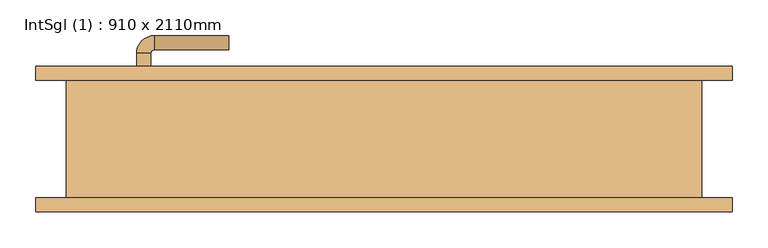
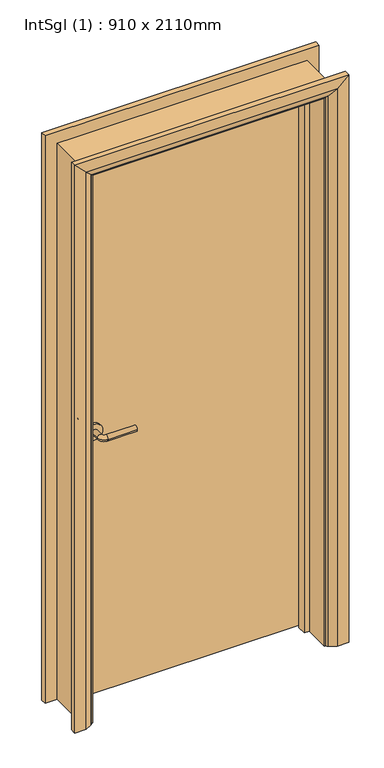
"""IFC4 building model written with IfcOpenShell, lengths in millimetres: door geometry, IntSgl (1) : 910 x 2110mm."""

from ifc_helpers import new_model, si_unit, point, frame, frame_2d, origin, place, context, project, spatial, polyline, circle_curve, ellipse_curve, trimmed, segment, composite_curve, outline, extrude, faceted_brep, source, transform, mapped, element, save
from ifc_brep_helpers import plane_surface, cylinder_surface, revolved_surface, advanced_brep


def intsgl_1_910_x_2110mm_8f79d807(model_context):
    return source(origin(), model_context, "Body", "SolidModel", [
        advanced_brep(
        [(-348.0, 36.5, 1000.0), (-328.0, 36.5, 1000.0), (-328.0, 6.5, 1000.0), (-348.0, 6.5, 1000.0), (-323.0, 1.5, 1000.0), (-323.0, -18.5, 1000.0), (-218.0, -18.5, 1000.0), (-218.0, 1.5, 1000.0)],
        [
            (0, 1, circle_curve(frame((-338.0, 36.5, 1000.0), z_axis=(0.0, 1.0, 0.0), x_axis=(1.0, 0.0, 0.0)), 10.0)),
            (1, 0, circle_curve(frame((-338.0, 36.5, 1000.0), z_axis=(0.0, 1.0, 0.0), x_axis=(1.0, 0.0, 0.0)), 10.0)),
            (1, 2),
            (2, 3, circle_curve(frame((-338.0, 6.5, 1000.0), z_axis=(0.0, 1.0, 0.0), x_axis=(1.0, 0.0, 0.0)), 10.0)),
            (3, 0),
            (3, 2, circle_curve(frame((-338.0, 6.5, 1000.0), z_axis=(0.0, 1.0, 0.0), x_axis=(1.0, 0.0, 0.0)), 10.0)),
            (4, 5, circle_curve(frame((-323.0, -8.5, 1000.0), z_axis=(-1.0, 0.0, 0.0), x_axis=(0.0, 1.0, 0.0)), 10.0)),
            (5, 3, circle_curve(frame((-323.0, 6.5, 1000.0), z_axis=(0.0, 0.0, -1.0), x_axis=(-1.0, 0.0, 0.0)), 25.0)),
            (2, 4, circle_curve(frame((-323.0, 6.5, 1000.0), z_axis=(0.0, 0.0, 1.0), x_axis=(-1.0, 0.0, 0.0)), 5.0)),
            (5, 4, circle_curve(frame((-323.0, -8.5, 1000.0), z_axis=(-1.0, 0.0, 0.0), x_axis=(0.0, 1.0, 0.0)), 10.0)),
            (6, 7, circle_curve(frame((-218.0, -8.5, 1000.0), z_axis=(1.0, 0.0, 0.0), x_axis=(0.0, 1.0, 0.0)), 10.0)),
            (7, 6, circle_curve(frame((-218.0, -8.5, 1000.0), z_axis=(1.0, 0.0, 0.0), x_axis=(0.0, 1.0, 0.0)), 10.0)),
            (4, 7),
            (6, 5),
        ],
        [
            plane_surface(frame((-338.0, 36.5, 1000.0), z_axis=(0.0, 1.0, 0.0), x_axis=(0.0, 0.0, 1.0))),
            cylinder_surface(frame((-338.0, 36.5, 1000.0), z_axis=(0.0, 1.0, 0.0), x_axis=(1.0, 0.0, 0.0)), 10.0),
            revolved_surface(trimmed(ellipse_curve(frame((-338.0, 6.5, 1000.0), z_axis=(0.0, -1.0, 0.0), x_axis=(1.0, 0.0, 0.0)), 10.0, 10.0), [point((-348.0, 6.5, 1000.0))], [point((-328.0, 6.5, 1000.0))], True, "CARTESIAN"), (-323.0, 6.5, 1000.0), (0.0, 0.0, -1.0)),
            revolved_surface(trimmed(ellipse_curve(frame((-338.0, 6.5, 1000.0), z_axis=(0.0, -1.0, 0.0), x_axis=(1.0, 0.0, 0.0)), 10.0, 10.0), [point((-328.0, 6.5, 1000.0))], [point((-348.0, 6.5, 1000.0))], True, "CARTESIAN"), (-323.0, 6.5, 1000.0), (0.0, 0.0, -1.0)),
            plane_surface(frame((-218.0, -8.5, 1000.0), z_axis=(1.0, 0.0, 0.0), x_axis=(0.0, 0.0, 1.0))),
            cylinder_surface(frame((-323.0, -8.5, 1000.0), z_axis=(-1.0, 0.0, 0.0), x_axis=(0.0, 1.0, 0.0)), 10.0),
        ],
        [
            (0, [[1, 2]]),
            (1, [[3, 4, 5, -2]]),
            (1, [[-5, 6, -3, -1]]),
            (2, [[7, 8, -4, 9]]),
            (3, [[10, -9, -6, -8]]),
            (4, [[11, 12]]),
            (5, [[13, -11, 14, -7]]),
            (5, [[-14, -12, -13, -10]]),
        ],
    ),
        extrude(outline(composite_curve([segment(trimmed(circle_curve(frame_2d((1000.0, -340.5)), 30.0), [point((1000.0, -370.5))], [point((1000.0, -310.5))], False, "CARTESIAN"), True, "CONTINUOUS"), segment(trimmed(circle_curve(frame_2d((1000.0, -340.5)), 30.0), [point((1000.0, -310.5))], [point((1000.0, -370.5))], False, "CARTESIAN"), True, "CONTINUOUS")], self_intersect=False)), frame((0.0, 36.5, 0.0), z_axis=(0.0, 1.0, 0.0), x_axis=(0.0, 0.0, 1.0)), (0.0, 0.0, 1.0), 8.0),
        advanced_brep(
        [(-348.0, 90.5, 1000.0), (-328.0, 90.5, 1000.0), (-348.0, 120.5, 1000.0), (-328.0, 120.5, 1000.0), (-323.0, 125.5, 1000.0), (-323.0, 145.5, 1000.0), (-218.0, 145.5, 1000.0), (-218.0, 125.5, 1000.0)],
        [
            (0, 1, circle_curve(frame((-338.0, 90.5, 1000.0), z_axis=(0.0, -1.0, 0.0), x_axis=(1.0, 0.0, 0.0)), 10.0)),
            (1, 0, circle_curve(frame((-338.0, 90.5, 1000.0), z_axis=(0.0, -1.0, 0.0), x_axis=(1.0, 0.0, 0.0)), 10.0)),
            (0, 2),
            (2, 3, circle_curve(frame((-338.0, 120.5, 1000.0), z_axis=(0.0, -1.0, 0.0), x_axis=(1.0, 0.0, 0.0)), 10.0)),
            (3, 1),
            (3, 2, circle_curve(frame((-338.0, 120.5, 1000.0), z_axis=(0.0, -1.0, 0.0), x_axis=(1.0, 0.0, 0.0)), 10.0)),
            (4, 3, circle_curve(frame((-323.0, 120.5, 1000.0), z_axis=(0.0, 0.0, 1.0), x_axis=(-1.0, 0.0, 0.0)), 5.0)),
            (2, 5, circle_curve(frame((-323.0, 120.5, 1000.0), z_axis=(0.0, 0.0, -1.0), x_axis=(-1.0, 0.0, 0.0)), 25.0)),
            (5, 4, circle_curve(frame((-323.0, 135.5, 1000.0), z_axis=(-1.0, 0.0, 0.0), x_axis=(0.0, -1.0, 0.0)), 10.0)),
            (4, 5, circle_curve(frame((-323.0, 135.5, 1000.0), z_axis=(-1.0, 0.0, 0.0), x_axis=(0.0, -1.0, 0.0)), 10.0)),
            (6, 7, circle_curve(frame((-218.0, 135.5, 1000.0), z_axis=(1.0, 0.0, 0.0), x_axis=(0.0, -1.0, 0.0)), 10.0)),
            (7, 6, circle_curve(frame((-218.0, 135.5, 1000.0), z_axis=(1.0, 0.0, 0.0), x_axis=(0.0, -1.0, 0.0)), 10.0)),
            (5, 6),
            (7, 4),
        ],
        [
            plane_surface(frame((-338.0, 90.5, 1000.0), z_axis=(0.0, -1.0, 0.0), x_axis=(0.0, 0.0, 1.0))),
            cylinder_surface(frame((-338.0, 90.5, 1000.0), z_axis=(0.0, -1.0, 0.0), x_axis=(1.0, 0.0, 0.0)), 10.0),
            revolved_surface(trimmed(ellipse_curve(frame((-338.0, 120.5, 1000.0), z_axis=(0.0, -1.0, 0.0), x_axis=(1.0, 0.0, 0.0)), 10.0, 10.0), [point((-348.0, 120.5, 1000.0))], [point((-328.0, 120.5, 1000.0))], True, "CARTESIAN"), (-323.0, 120.5, 1000.0), (0.0, 0.0, -1.0)),
            revolved_surface(trimmed(ellipse_curve(frame((-338.0, 120.5, 1000.0), z_axis=(0.0, -1.0, 0.0), x_axis=(1.0, 0.0, 0.0)), 10.0, 10.0), [point((-328.0, 120.5, 1000.0))], [point((-348.0, 120.5, 1000.0))], True, "CARTESIAN"), (-323.0, 120.5, 1000.0), (0.0, 0.0, -1.0)),
            plane_surface(frame((-218.0, 135.5, 1000.0), z_axis=(1.0, 0.0, 0.0), x_axis=(0.0, 0.0, 1.0))),
            cylinder_surface(frame((-323.0, 135.5, 1000.0), z_axis=(-1.0, 0.0, 0.0), x_axis=(0.0, -1.0, 0.0)), 10.0),
        ],
        [
            (0, [[1, 2]]),
            (1, [[-1, 3, 4, 5]]),
            (1, [[-2, -5, 6, -3]]),
            (2, [[7, -4, 8, 9]]),
            (3, [[-8, -6, -7, 10]]),
            (4, [[11, 12]]),
            (5, [[-9, 13, -12, 14]]),
            (5, [[-10, -14, -11, -13]]),
        ],
    ),
        extrude(outline(composite_curve([segment(trimmed(circle_curve(frame_2d((1000.0, -340.5)), 30.0), [point((1000.0, -370.5))], [point((1000.0, -310.5))], False, "CARTESIAN"), True, "CONTINUOUS"), segment(trimmed(circle_curve(frame_2d((1000.0, -340.5)), 30.0), [point((1000.0, -310.5))], [point((1000.0, -370.5))], False, "CARTESIAN"), True, "CONTINUOUS")], self_intersect=False)), frame((0.0, 82.5, 0.0), z_axis=(0.0, 1.0, 0.0), x_axis=(0.0, 0.0, 1.0)), (0.0, 0.0, 1.0), 8.0),
        extrude(outline(polyline([(413.0, 44.5), (-413.0, 44.5), (-413.0, 82.5), (413.0, 82.5), (413.0, 44.5)])), frame((0.0, 0.0, 8.0), z_axis=(0.0, 0.0, 1.0), x_axis=(1.0, 0.0, 0.0)), (0.0, 0.0, 1.0), 2060.0),
        advanced_brep(
        [(490.0, 102.5, 0.0), (490.0, 82.5, 0.0), (420.0, 82.5, 0.0), (424.0, 88.5, 0.0), (450.0, 102.5, 0.0), (490.0, 102.5, 2145.0), (490.0, 82.5, 2145.0), (-490.0, 82.5, 2145.0), (-490.0, 82.5, 0.0), (-420.0, 82.5, 0.0), (-420.0, 82.5, 2075.0), (420.0, 82.5, 2075.0), (424.0, 88.5, 2079.0), (450.0, 102.5, 2105.0), (-450.0, 102.5, 2105.0), (-450.0, 102.5, 0.0), (-490.0, 102.5, 0.0), (-490.0, 102.5, 2145.0), (-424.0, 88.5, 2079.0), (-424.0, 88.5, 0.0)],
        [
            (0, 1),
            (1, 2),
            (2, 3, circle_curve(frame((428.0, 81.5, 0.0), z_axis=(0.0, 0.0, -1.0), x_axis=(1.0, 0.0, 0.0)), 8.0622577)),
            (3, 4),
            (4, 0),
            (0, 5),
            (5, 6),
            (6, 1),
            (6, 7),
            (7, 8),
            (8, 9),
            (9, 10),
            (10, 11),
            (11, 2),
            (11, 12, ellipse_curve(frame((428.0, 81.5, 2083.0), z_axis=(0.7071067811865475, 0.0, -0.7071067811865475), x_axis=(-0.7071067811865474, 0.0, -0.7071067811865476)), 11.4017543, 8.0622577)),
            (12, 3),
            (12, 13),
            (13, 4),
            (13, 14),
            (14, 15),
            (15, 16),
            (16, 17),
            (17, 5),
            (17, 7),
            (10, 18, ellipse_curve(frame((-428.0, 81.5, 2083.0), z_axis=(0.7071067811865475, 0.0, 0.7071067811865475), x_axis=(0.7071067811865476, 0.0, -0.7071067811865474)), 11.4017543, 8.0622577)),
            (18, 12),
            (18, 14),
            (15, 19),
            (19, 9, circle_curve(frame((-428.0, 81.5, 0.0), z_axis=(0.0, 0.0, -1.0), x_axis=(-1.0, 0.0, 0.0)), 8.0622577)),
            (8, 16),
            (19, 18),
        ],
        [
            plane_surface(frame((420.0, 82.5, 0.0), z_axis=(0.0, 0.0, -1.0), x_axis=(0.0, -1.0, 0.0))),
            plane_surface(frame((490.0, 102.5, 0.0), z_axis=(1.0, 0.0, 0.0), x_axis=(0.0, 0.0, 1.0))),
            plane_surface(frame((490.0, 82.5, 0.0), z_axis=(0.0, -1.0, 0.0), x_axis=(0.0, 0.0, 1.0))),
            cylinder_surface(frame((428.0, 81.5, 0.0), z_axis=(0.0, 0.0, -1.0), x_axis=(1.0, 0.0, 0.0)), 8.0622577),
            plane_surface(frame((424.0, 88.5, 0.0), z_axis=(-0.4740998230350126, 0.880471099922178, 0.0), x_axis=(0.0, 0.0, 1.0))),
            plane_surface(frame((450.0, 102.5, 0.0), z_axis=(0.0, 1.0, 0.0), x_axis=(0.0, 0.0, 1.0))),
            plane_surface(frame((490.0, 102.5, 2145.0), z_axis=(0.0, 0.0, 1.0), x_axis=(-1.0, 0.0, 0.0))),
            cylinder_surface(frame((420.0, 81.5, 2083.0), z_axis=(1.0, 0.0, 0.0), x_axis=(0.0, 0.0, 1.0)), 8.0622577),
            plane_surface(frame((424.0, 88.5, 2079.0), z_axis=(0.0, 0.8804710999221764, -0.4740998230350154), x_axis=(-1.0, 0.0, 0.0))),
            plane_surface(frame((-420.0, 82.5, 0.0), z_axis=(0.0, 0.0, -1.0), x_axis=(0.0, -1.0, 0.0))),
            plane_surface(frame((-490.0, 102.5, 2145.0), z_axis=(-1.0, 0.0, 0.0), x_axis=(0.0, 0.0, -1.0))),
            cylinder_surface(frame((-428.0, 81.5, 2075.0), z_axis=(0.0, 0.0, 1.0), x_axis=(-1.0, 0.0, 0.0)), 8.0622577),
            plane_surface(frame((-424.0, 88.5, 2079.0), z_axis=(0.47409982303501824, 0.8804710999221749, 0.0), x_axis=(0.0, 0.0, -1.0))),
        ],
        [
            (0, [[1, 2, 3, 4, 5]]),
            (1, [[-1, 6, 7, 8]]),
            (2, [[-2, -8, 9, 10, 11, 12, 13, 14]]),
            (3, [[-3, -14, 15, 16]]),
            (4, [[-4, -16, 17, 18]]),
            (5, [[-5, -18, 19, 20, 21, 22, 23, -6]]),
            (6, [[-7, -23, 24, -9]]),
            (7, [[-15, -13, 25, 26]]),
            (8, [[-17, -26, 27, -19]]),
            (9, [[-21, 28, 29, -11, 30]]),
            (10, [[-24, -22, -30, -10]]),
            (11, [[-25, -12, -29, 31]]),
            (12, [[-27, -31, -28, -20]]),
        ],
    ),
        extrude(outline(polyline([(0.0, -415.0), (0.0, -396.0), (2051.0, -396.0), (2051.0, 396.0), (0.0, 396.0), (0.0, 415.0), (2070.0, 415.0), (2070.0, -415.0), (0.0, -415.0)])), frame((0.0, 10.5, 0.0), z_axis=(0.0, 1.0, 0.0), x_axis=(0.0, 0.0, 1.0)), (0.0, 0.0, 1.0), 32.0),
        advanced_brep(
        [(-490.0, -102.5, 0.0), (-490.0, -82.5, 0.0), (-420.0, -82.5, 0.0), (-424.0, -88.5, 0.0), (-450.0, -102.5, 0.0), (-490.0, -102.5, 2145.0), (-490.0, -82.5, 2145.0), (-420.0, -82.5, 2075.0), (-424.0, -88.5, 2079.0), (-450.0, -102.5, 2105.0), (490.0, -102.5, 2145.0), (490.0, -82.5, 2145.0), (420.0, -82.5, 2075.0), (424.0, -88.5, 2079.0), (450.0, -102.5, 2105.0), (490.0, -102.5, 0.0), (450.0, -102.5, 0.0), (424.0, -88.5, 0.0), (420.0, -82.5, 0.0), (490.0, -82.5, 0.0)],
        [
            (0, 1),
            (1, 2),
            (2, 3, circle_curve(frame((-428.0, -81.5, 0.0), z_axis=(0.0, 0.0, -1.0), x_axis=(-1.0, 0.0, 0.0)), 8.0622577)),
            (3, 4),
            (4, 0),
            (0, 5),
            (5, 6),
            (6, 1),
            (6, 7),
            (7, 2),
            (7, 8, ellipse_curve(frame((-428.0, -81.5, 2083.0), z_axis=(-0.7071067811865475, 0.0, -0.7071067811865475), x_axis=(0.7071067811865474, 0.0, -0.7071067811865476)), 11.4017543, 8.0622577)),
            (8, 3),
            (8, 9),
            (9, 4),
            (9, 5),
            (5, 10),
            (10, 11),
            (11, 6),
            (11, 12),
            (12, 7),
            (12, 13, ellipse_curve(frame((428.0, -81.5, 2083.0), z_axis=(-0.7071067811865475, 0.0, 0.7071067811865475), x_axis=(-0.7071067811865476, 0.0, -0.7071067811865474)), 11.4017543, 8.0622577)),
            (13, 8),
            (13, 14),
            (14, 9),
            (14, 10),
            (15, 16),
            (16, 17),
            (17, 18, circle_curve(frame((428.0, -81.5, 0.0), z_axis=(0.0, 0.0, -1.0), x_axis=(1.0, 0.0, 0.0)), 8.0622577)),
            (18, 19),
            (19, 15),
            (10, 15),
            (19, 11),
            (18, 12),
            (17, 13),
            (16, 14),
        ],
        [
            plane_surface(frame((-420.0, -155.3010989, 0.0), z_axis=(0.0, 0.0, -1.0), x_axis=(1.0, 0.0, 0.0))),
            plane_surface(frame((-490.0, -102.5, 0.0), z_axis=(-1.0, 0.0, 0.0), x_axis=(0.0, 0.0, 1.0))),
            plane_surface(frame((-490.0, -82.5, 0.0), z_axis=(0.0, 1.0, 0.0), x_axis=(0.0, 0.0, 1.0))),
            cylinder_surface(frame((-428.0, -81.5, 0.0), z_axis=(0.0, 0.0, -1.0), x_axis=(-1.0, 0.0, 0.0)), 8.0622577),
            plane_surface(frame((-424.0, -88.5, 0.0), z_axis=(0.4740998230350183, -0.8804710999221749, 0.0), x_axis=(0.0, 0.0, 1.0))),
            plane_surface(frame((-450.0, -102.5, 0.0), z_axis=(0.0, -1.0, 0.0), x_axis=(0.0, 0.0, 1.0))),
            plane_surface(frame((-490.0, -102.5, 2145.0), z_axis=(0.0, 0.0, 1.0), x_axis=(1.0, 0.0, 0.0))),
            plane_surface(frame((-490.0, -82.5, 2145.0), z_axis=(0.0, 1.0, 0.0), x_axis=(1.0, 0.0, 0.0))),
            cylinder_surface(frame((-420.0, -81.5, 2083.0), z_axis=(-1.0, 0.0, 0.0), x_axis=(0.0, 0.0, 1.0)), 8.0622577),
            plane_surface(frame((-424.0, -88.5, 2079.0), z_axis=(0.0, -0.8804710999221749, -0.4740998230350183), x_axis=(1.0, 0.0, 0.0))),
            plane_surface(frame((-450.0, -102.5, 2105.0), z_axis=(0.0, -1.0, 0.0), x_axis=(1.0, 0.0, 0.0))),
            plane_surface(frame((420.0, -155.3010989, 0.0), z_axis=(0.0, 0.0, -1.0), x_axis=(-1.0, 0.0, 0.0))),
            plane_surface(frame((490.0, -102.5, 2145.0), z_axis=(1.0, 0.0, 0.0), x_axis=(0.0, 0.0, -1.0))),
            plane_surface(frame((490.0, -82.5, 2145.0), z_axis=(0.0, 1.0, 0.0), x_axis=(0.0, 0.0, -1.0))),
            cylinder_surface(frame((428.0, -81.5, 2075.0), z_axis=(0.0, 0.0, 1.0), x_axis=(1.0, 0.0, 0.0)), 8.0622577),
            plane_surface(frame((424.0, -88.5, 2079.0), z_axis=(-0.4740998230350183, -0.8804710999221749, 0.0), x_axis=(0.0, 0.0, -1.0))),
            plane_surface(frame((450.0, -102.5, 2105.0), z_axis=(0.0, -1.0, 0.0), x_axis=(0.0, 0.0, -1.0))),
        ],
        [
            (0, [[1, 2, 3, 4, 5]]),
            (1, [[-1, 6, 7, 8]]),
            (2, [[-2, -8, 9, 10]]),
            (3, [[-3, -10, 11, 12]]),
            (4, [[-4, -12, 13, 14]]),
            (5, [[-5, -14, 15, -6]]),
            (6, [[-7, 16, 17, 18]]),
            (7, [[-9, -18, 19, 20]]),
            (8, [[-11, -20, 21, 22]]),
            (9, [[-13, -22, 23, 24]]),
            (10, [[-15, -24, 25, -16]]),
            (11, [[26, 27, 28, 29, 30]]),
            (12, [[-17, 31, -30, 32]]),
            (13, [[-19, -32, -29, 33]]),
            (14, [[-21, -33, -28, 34]]),
            (15, [[-23, -34, -27, 35]]),
            (16, [[-25, -35, -26, -31]]),
        ],
    ),
        faceted_brep([(-415.0, 82.5, 0.0), (-415.0, -82.5, 0.0), (-447.0, -82.5, 0.0), (-447.0, 82.5, 0.0), (-415.0, 82.5, 2070.0), (-415.0, -82.5, 2070.0), (-447.0, -82.5, 2102.0), (-447.0, 82.5, 2102.0), (415.0, 82.5, 2070.0), (415.0, -82.5, 2070.0), (447.0, -82.5, 2102.0), (447.0, 82.5, 2102.0), (415.0, 82.5, 0.0), (447.0, 82.5, 0.0), (447.0, -82.5, 0.0), (415.0, -82.5, 0.0)], [[[0, 1, 2, 3]], [[1, 0, 4, 5]], [[2, 1, 5, 6]], [[3, 2, 6, 7]], [[0, 3, 7, 4]], [[5, 4, 8, 9]], [[6, 5, 9, 10]], [[7, 6, 10, 11]], [[4, 7, 11, 8]], [[12, 13, 14, 15]], [[9, 8, 12, 15]], [[10, 9, 15, 14]], [[11, 10, 14, 13]], [[8, 11, 13, 12]]]),
    ])


if __name__ == "__main__":
    model = new_model("IFC4")
    model_context = context("Model", 3, world=origin())
    ifc_project = project(units=[si_unit("LENGTHUNIT", "METRE", prefix="MILLI")], contexts=[model_context])
    site = spatial("IfcSite", under=ifc_project)
    building = spatial("IfcBuilding", under=site)
    placement = place(None, origin())
    intsgl_1_910_x_2110mm_shape = intsgl_1_910_x_2110mm_8f79d807(model_context)
    element("IfcDoor", 1, ObjectType="IntSgl (1) : 910 x 2110mm", at=placement, inside=building, context=model_context, shape_type="MappedRepresentation", body=[
        mapped(intsgl_1_910_x_2110mm_shape, transform((0.0, 0.0, 0.0), x_axis=(1.0, 0.0, 0.0), y_axis=(0.0, 1.0, 0.0), z_axis=(0.0, 0.0, 1.0))),
    ])
    save(model, "model.ifc")
